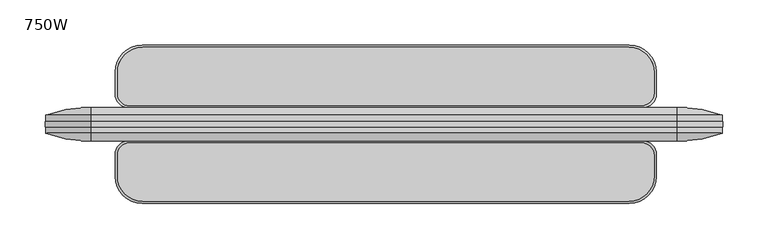
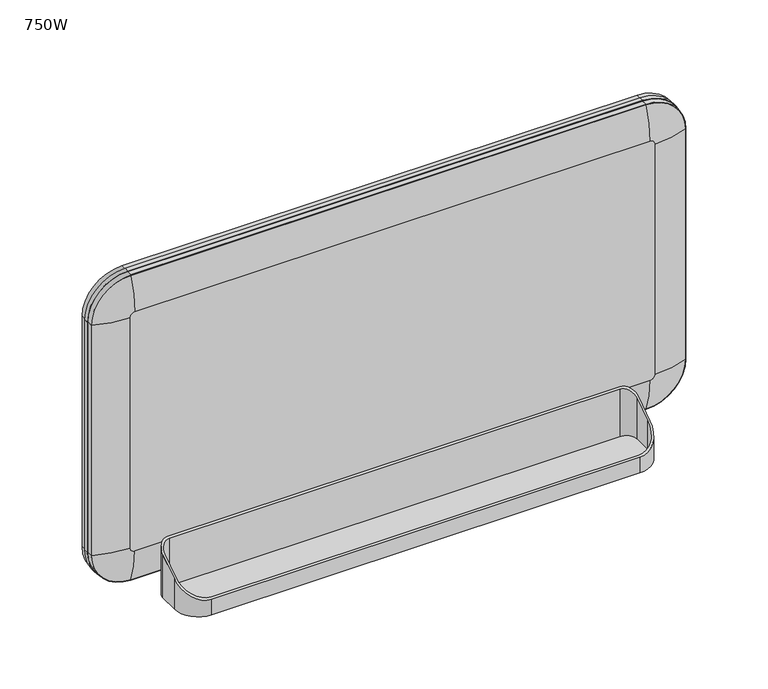
"""IFC4 building model written with IfcOpenShell, lengths in millimetres: furniture geometry, 750W."""

from ifc_helpers import new_model, si_unit, point, frame, origin, place, context, project, spatial, polyline, circle_curve, ellipse_curve, trimmed, source, transform, mapped, element, save
from ifc_brep_helpers import plane_surface, cylinder_surface, revolved_surface, advanced_brep


def furniture_750w_f2028ecf(model_context):
    return source(origin(), model_context, "Body", "AdvancedBrep", [
        advanced_brep(
        [(286.9659113, 18.5, 16.3000507), (-283.2159113, 18.5, 16.3000507), (-298.2159113, 33.5, 16.3000507), (-298.2159113, 58.0239724, 16.3000507), (-268.2159113, 88.0239724, 16.3000507), (271.9659113, 88.0239724, 16.3000507), (301.9659113, 58.0239724, 16.3000507), (301.9659113, 33.5, 16.3000507), (286.9659113, 18.5, 83.9159978), (-283.2159113, 18.5, 83.9159978), (-298.2159113, 33.5, 73.79837), (-298.2159113, 58.0239724, 57.2567418), (-268.2159113, 88.0239724, 37.0214863), (271.9659113, 88.0239724, 37.0214863), (301.9659113, 58.0239724, 57.2567418), (301.9659113, 33.5, 73.79837), (285.3329108, 20.5879811, 82.5076368), (-282.1526772, 20.5879811, 82.5076368), (-295.4997493, 33.9350532, 73.504923), (-295.4997493, 57.5241536, 57.5938738), (-267.4997493, 85.5241536, 38.7076354), (271.50047, 85.5241536, 38.7076354), (299.50047, 57.5241536, 57.5938738), (299.50047, 34.7555403, 72.9514974), (285.3329108, 20.5879811, 19.0001411), (299.50047, 34.7555403, 19.0001411), (299.50047, 57.5241536, 19.0001411), (271.50047, 85.5241536, 19.0001411), (-267.4997493, 85.5241536, 19.0001411), (-295.4997493, 57.5241536, 19.0001411), (-295.4997493, 33.9350532, 19.0001411), (-282.1526772, 20.5879811, 19.0001411)],
        [
            (0, 1),
            (1, 2, circle_curve(frame((-283.2159113, 33.5, 16.3000507), z_axis=(0.0, 0.0, -1.0), x_axis=(1.0, 0.0, 0.0)), 15.0)),
            (2, 3),
            (3, 4, circle_curve(frame((-268.2159113, 58.0239724, 16.3000507), z_axis=(0.0, 0.0, -1.0), x_axis=(1.0, 0.0, 0.0)), 30.0)),
            (4, 5),
            (5, 6, circle_curve(frame((271.9659113, 58.0239724, 16.3000507), z_axis=(0.0, 0.0, -1.0), x_axis=(1.0, 0.0, 0.0)), 30.0)),
            (6, 7),
            (7, 0, circle_curve(frame((286.9659113, 33.5, 16.3000507), z_axis=(0.0, 0.0, -1.0), x_axis=(1.0, 0.0, 0.0)), 15.0)),
            (0, 8),
            (8, 9),
            (9, 1),
            (2, 10),
            (10, 11),
            (11, 3),
            (4, 12),
            (12, 13),
            (13, 5),
            (6, 14),
            (14, 15),
            (15, 7),
            (9, 10, ellipse_curve(frame((-283.2159113, 33.5, 73.79837), z_axis=(0.0, -0.5591929034707491, -0.8290375725550402), x_axis=(0.0, -0.8290375725550402, 0.5591929034707489)), 18.0932692, 15.0)),
            (11, 12, ellipse_curve(frame((-268.2159113, 58.0239724, 57.2567418), z_axis=(0.0, -0.5591929034707491, -0.8290375725550402), x_axis=(0.0, -0.8290375725550402, 0.5591929034707489)), 36.1865385, 30.0)),
            (13, 14, ellipse_curve(frame((271.9659113, 58.0239724, 57.2567418), z_axis=(0.0, -0.5591929034707491, -0.8290375725550402), x_axis=(0.0, -0.8290375725550402, 0.5591929034707489)), 36.1865385, 30.0)),
            (15, 8, ellipse_curve(frame((286.9659113, 33.5, 73.79837), z_axis=(0.0, -0.5591929034707491, -0.8290375725550402), x_axis=(0.0, -0.8290375725550402, 0.5591929034707489)), 18.0932692, 15.0)),
            (16, 17),
            (17, 18, ellipse_curve(frame((-282.1526772, 33.9350532, 73.504923), z_axis=(0.0, -0.5591929034707491, -0.8290375725550402), x_axis=(0.0, -0.8290375725550402, 0.5591929034707489)), 16.0994779, 13.3470721)),
            (18, 19),
            (19, 20, ellipse_curve(frame((-267.4997493, 57.5241536, 57.5938738), z_axis=(0.0, -0.5591929034707491, -0.8290375725550402), x_axis=(0.0, -0.8290375725550402, 0.5591929034707489)), 33.7741026, 28.0)),
            (20, 21),
            (21, 22, ellipse_curve(frame((271.50047, 57.5241536, 57.5938738), z_axis=(0.0, -0.5591929034707491, -0.8290375725550402), x_axis=(0.0, -0.8290375725550402, 0.5591929034707489)), 33.7741026, 28.0)),
            (22, 23),
            (23, 16, ellipse_curve(frame((285.3329108, 34.7555403, 72.9514974), z_axis=(0.0, -0.5591929034707491, -0.8290375725550402), x_axis=(0.0, -0.8290375725550402, 0.5591929034707489)), 17.0891642, 14.1675592)),
            (24, 25, circle_curve(frame((285.3329108, 34.7555403, 19.0001411), z_axis=(0.0, 0.0, 1.0), x_axis=(1.0, 0.0, 0.0)), 14.1675592)),
            (25, 26),
            (26, 27, circle_curve(frame((271.50047, 57.5241536, 19.0001411), z_axis=(0.0, 0.0, 1.0), x_axis=(1.0, 0.0, 0.0)), 28.0)),
            (27, 28),
            (28, 29, circle_curve(frame((-267.4997493, 57.5241536, 19.0001411), z_axis=(0.0, 0.0, 1.0), x_axis=(1.0, 0.0, 0.0)), 28.0)),
            (29, 30),
            (30, 31, circle_curve(frame((-282.1526772, 33.9350532, 19.0001411), z_axis=(0.0, 0.0, 1.0), x_axis=(1.0, 0.0, 0.0)), 13.3470721)),
            (31, 24),
            (31, 17),
            (16, 24),
            (30, 18),
            (29, 19),
            (28, 20),
            (27, 21),
            (26, 22),
            (25, 23),
        ],
        [
            plane_surface(frame((301.9659113, 33.5, 16.3000507), z_axis=(0.0, 0.0, -1.0), x_axis=(0.0, -1.0, 0.0))),
            plane_surface(frame((-283.2159113, 18.5, 100.6154338), z_axis=(0.0, -1.0, 0.0), x_axis=(0.0, 0.0, -1.0))),
            plane_surface(frame((-298.2159113, 58.0239724, 100.6154338), z_axis=(-1.0, 0.0, 0.0), x_axis=(0.0, 0.0, -1.0))),
            plane_surface(frame((271.9659113, 88.0239724, 100.6154338), z_axis=(0.0, 1.0, 0.0), x_axis=(0.0, 0.0, -1.0))),
            plane_surface(frame((301.9659113, 33.5, 100.6154338), z_axis=(1.0, 0.0, 0.0), x_axis=(0.0, 0.0, -1.0))),
            cylinder_surface(frame((-283.2159113, 33.5, 16.3000507), z_axis=(0.0, 0.0, 1.0), x_axis=(1.0, 0.0, 0.0)), 15.0),
            cylinder_surface(frame((-268.2159113, 58.0239724, 16.3000507), z_axis=(0.0, 0.0, 1.0), x_axis=(1.0, 0.0, 0.0)), 30.0),
            cylinder_surface(frame((271.9659113, 58.0239724, 16.3000507), z_axis=(0.0, 0.0, 1.0), x_axis=(1.0, 0.0, 0.0)), 30.0),
            cylinder_surface(frame((286.9659113, 33.5, 16.3000507), z_axis=(0.0, 0.0, 1.0), x_axis=(1.0, 0.0, 0.0)), 15.0),
            plane_surface(frame((-659.4573516, 93.5, 33.327859), z_axis=(0.0, 0.5591929034707491, 0.8290375725550402), x_axis=(1.0, 0.0, 0.0))),
            plane_surface(frame((299.50047, 34.7555403, 19.0001411), z_axis=(0.0, 0.0, 1.0), x_axis=(0.0, -1.0, 0.0))),
            plane_surface(frame((-282.1526772, 20.5879811, 250.0), z_axis=(0.0, 1.0, 0.0), x_axis=(0.0, 0.0, -1.0))),
            revolved_surface(polyline([(-268.80560510000004, 33.9350532, 82.5076368), (-268.80560510000004, 33.9350532, 19.0001411)]), (-282.1526772, 33.9350532, 19.0001411), (0.0, 0.0, 1.0)),
            plane_surface(frame((-295.4997493, 57.5241536, 250.0), z_axis=(1.0, 0.0, 0.0), x_axis=(0.0, 0.0, -1.0))),
            revolved_surface(polyline([(-239.49974930000002, 57.5241536, 76.48011229501296), (-239.49974930000002, 57.5241536, 19.0001411)]), (-267.4997493, 57.5241536, 19.0001411), (0.0, 0.0, 1.0)),
            plane_surface(frame((271.50047, 85.5241536, 250.0), z_axis=(0.0, -1.0, 0.0), x_axis=(0.0, 0.0, -1.0))),
            revolved_surface(polyline([(299.50047, 57.5241536, 76.48011229501296), (299.50047, 57.5241536, 19.0001411)]), (271.50047, 57.5241536, 19.0001411), (0.0, 0.0, 1.0)),
            plane_surface(frame((299.50047, 34.7555403, 250.0), z_axis=(-1.0, 0.0, 0.0), x_axis=(0.0, 0.0, -1.0))),
            revolved_surface(polyline([(299.50046999999995, 34.7555403, 82.5076368), (299.50046999999995, 34.7555403, 19.0001411)]), (285.3329108, 34.7555403, 19.0001411), (0.0, 0.0, 1.0)),
        ],
        [
            (0, [[1, 2, 3, 4, 5, 6, 7, 8]]),
            (1, [[-1, 9, 10, 11]]),
            (2, [[-3, 12, 13, 14]]),
            (3, [[-5, 15, 16, 17]]),
            (4, [[-7, 18, 19, 20]]),
            (5, [[-2, -11, 21, -12]]),
            (6, [[-4, -14, 22, -15]]),
            (7, [[-6, -17, 23, -18]]),
            (8, [[-8, -20, 24, -9]]),
            (9, [[-10, -24, -19, -23, -16, -22, -13, -21], [25, 26, 27, 28, 29, 30, 31, 32]]),
            (10, [[33, 34, 35, 36, 37, 38, 39, 40]]),
            (11, [[-40, 41, -25, 42]]),
            (12, [[-39, 43, -26, -41]]),
            (13, [[-38, 44, -27, -43]]),
            (14, [[-37, 45, -28, -44]]),
            (15, [[-36, 46, -29, -45]]),
            (16, [[-35, 47, -30, -46]]),
            (17, [[-34, 48, -31, -47]]),
            (18, [[-33, -42, -32, -48]]),
        ],
    ),
        advanced_brep(
        [(286.9659113, -18.5, 16.3000507), (301.9659113, -33.5, 16.3000507), (301.9659113, -58.0239724, 16.3000507), (271.9659113, -88.0239724, 16.3000507), (-268.2159113, -88.0239724, 16.3000507), (-298.2159113, -58.0239724, 16.3000507), (-298.2159113, -33.5, 16.3000507), (-283.2159113, -18.5, 16.3000507), (-283.2159113, -18.5, 83.9159978), (286.9659113, -18.5, 83.9159978), (-298.2159113, -58.0239724, 57.2567418), (-298.2159113, -33.5, 73.79837), (271.9659113, -88.0239724, 37.0214863), (-268.2159113, -88.0239724, 37.0214863), (301.9659113, -33.5, 73.79837), (301.9659113, -58.0239724, 57.2567418), (-282.1526772, -20.5879811, 82.5076368), (285.3329108, -20.5879811, 82.5076368), (299.50047, -34.7555403, 72.9514974), (299.50047, -57.5241536, 57.5938738), (271.50047, -85.5241536, 38.7076354), (-267.4997493, -85.5241536, 38.7076354), (-295.4997493, -57.5241536, 57.5938738), (-295.4997493, -33.9350532, 73.504923), (285.3329108, -20.5879811, 19.0001411), (-282.1526772, -20.5879811, 19.0001411), (-295.4997493, -33.9350532, 19.0001411), (-295.4997493, -57.5241536, 19.0001411), (-267.4997493, -85.5241536, 19.0001411), (271.50047, -85.5241536, 19.0001411), (299.50047, -57.5241536, 19.0001411), (299.50047, -34.7555403, 19.0001411)],
        [
            (0, 1, circle_curve(frame((286.9659113, -33.5, 16.3000507), z_axis=(0.0, 0.0, -1.0), x_axis=(1.0, 0.0, 0.0)), 15.0)),
            (1, 2),
            (2, 3, circle_curve(frame((271.9659113, -58.0239724, 16.3000507), z_axis=(0.0, 0.0, -1.0), x_axis=(1.0, 0.0, 0.0)), 30.0)),
            (3, 4),
            (4, 5, circle_curve(frame((-268.2159113, -58.0239724, 16.3000507), z_axis=(0.0, 0.0, -1.0), x_axis=(1.0, 0.0, 0.0)), 30.0)),
            (5, 6),
            (6, 7, circle_curve(frame((-283.2159113, -33.5, 16.3000507), z_axis=(0.0, 0.0, -1.0), x_axis=(1.0, 0.0, 0.0)), 15.0)),
            (7, 0),
            (7, 8),
            (8, 9),
            (9, 0),
            (5, 10),
            (10, 11),
            (11, 6),
            (3, 12),
            (12, 13),
            (13, 4),
            (1, 14),
            (14, 15),
            (15, 2),
            (8, 11, ellipse_curve(frame((-283.2159113, -33.5, 73.79837), z_axis=(0.0, -0.5591929034707491, 0.8290375725550403), x_axis=(0.0, 0.8290375725550403, 0.5591929034707488)), 18.0932692, 15.0)),
            (10, 13, ellipse_curve(frame((-268.2159113, -58.0239724, 57.2567418), z_axis=(0.0, -0.5591929034707491, 0.8290375725550403), x_axis=(0.0, 0.8290375725550403, 0.5591929034707488)), 36.1865385, 30.0)),
            (12, 15, ellipse_curve(frame((271.9659113, -58.0239724, 57.2567418), z_axis=(0.0, -0.5591929034707491, 0.8290375725550403), x_axis=(0.0, 0.8290375725550403, 0.5591929034707488)), 36.1865385, 30.0)),
            (14, 9, ellipse_curve(frame((286.9659113, -33.5, 73.79837), z_axis=(0.0, -0.5591929034707491, 0.8290375725550403), x_axis=(0.0, 0.8290375725550403, 0.5591929034707488)), 18.0932692, 15.0)),
            (16, 17),
            (17, 18, ellipse_curve(frame((285.3329108, -34.7555403, 72.9514974), z_axis=(0.0, 0.5591929034707491, -0.8290375725550403), x_axis=(0.0, 0.8290375725550403, 0.5591929034707488)), 17.0891642, 14.1675592)),
            (18, 19),
            (19, 20, ellipse_curve(frame((271.50047, -57.5241536, 57.5938738), z_axis=(0.0, 0.5591929034707491, -0.8290375725550403), x_axis=(0.0, 0.8290375725550403, 0.5591929034707488)), 33.7741026, 28.0)),
            (20, 21),
            (21, 22, ellipse_curve(frame((-267.4997493, -57.5241536, 57.5938738), z_axis=(0.0, 0.5591929034707491, -0.8290375725550403), x_axis=(0.0, 0.8290375725550403, 0.5591929034707488)), 33.7741026, 28.0)),
            (22, 23),
            (23, 16, ellipse_curve(frame((-282.1526772, -33.9350532, 73.504923), z_axis=(0.0, 0.5591929034707491, -0.8290375725550403), x_axis=(0.0, 0.8290375725550403, 0.5591929034707488)), 16.0994779, 13.3470721)),
            (24, 25),
            (25, 26, circle_curve(frame((-282.1526772, -33.9350532, 19.0001411), z_axis=(0.0, 0.0, 1.0), x_axis=(1.0, 0.0, 0.0)), 13.3470721)),
            (26, 27),
            (27, 28, circle_curve(frame((-267.4997493, -57.5241536, 19.0001411), z_axis=(0.0, 0.0, 1.0), x_axis=(1.0, 0.0, 0.0)), 28.0)),
            (28, 29),
            (29, 30, circle_curve(frame((271.50047, -57.5241536, 19.0001411), z_axis=(0.0, 0.0, 1.0), x_axis=(1.0, 0.0, 0.0)), 28.0)),
            (30, 31),
            (31, 24, circle_curve(frame((285.3329108, -34.7555403, 19.0001411), z_axis=(0.0, 0.0, 1.0), x_axis=(1.0, 0.0, 0.0)), 14.1675592)),
            (24, 17),
            (16, 25),
            (23, 26),
            (22, 27),
            (21, 28),
            (20, 29),
            (19, 30),
            (18, 31),
        ],
        [
            plane_surface(frame((-283.2159113, -18.5, 16.3000507), z_axis=(0.0, 0.0, -1.0), x_axis=(1.0, 0.0, 0.0))),
            plane_surface(frame((286.9659113, -18.5, 100.6154338), z_axis=(0.0, 1.0, 0.0), x_axis=(0.0, 0.0, -1.0))),
            plane_surface(frame((-298.2159113, -33.5, 100.6154338), z_axis=(-1.0, 0.0, 0.0), x_axis=(0.0, 0.0, -1.0))),
            plane_surface(frame((-268.2159113, -88.0239724, 100.6154338), z_axis=(0.0, -1.0, 0.0), x_axis=(0.0, 0.0, -1.0))),
            plane_surface(frame((301.9659113, -58.0239724, 100.6154338), z_axis=(1.0, 0.0, 0.0), x_axis=(0.0, 0.0, -1.0))),
            plane_surface(frame((-423.9315609, -18.5, 83.9159978), z_axis=(0.0, -0.5591929034707491, 0.8290375725550403), x_axis=(1.0, 0.0, 0.0))),
            cylinder_surface(frame((-283.2159113, -33.5, 16.3000507), z_axis=(0.0, 0.0, 1.0), x_axis=(1.0, 0.0, 0.0)), 15.0),
            cylinder_surface(frame((-268.2159113, -58.0239724, 16.3000507), z_axis=(0.0, 0.0, 1.0), x_axis=(1.0, 0.0, 0.0)), 30.0),
            cylinder_surface(frame((271.9659113, -58.0239724, 16.3000507), z_axis=(0.0, 0.0, 1.0), x_axis=(1.0, 0.0, 0.0)), 30.0),
            cylinder_surface(frame((286.9659113, -33.5, 16.3000507), z_axis=(0.0, 0.0, 1.0), x_axis=(1.0, 0.0, 0.0)), 15.0),
            plane_surface(frame((-282.1526772, -20.5879811, 19.0001411), z_axis=(0.0, 0.0, 1.0), x_axis=(1.0, 0.0, 0.0))),
            plane_surface(frame((285.3329108, -20.5879811, 250.0), z_axis=(0.0, -1.0, 0.0), x_axis=(0.0, 0.0, -1.0))),
            revolved_surface(polyline([(-268.80560510000004, -33.9350532, 82.5076368), (-268.80560510000004, -33.9350532, 19.0001411)]), (-282.1526772, -33.9350532, 19.0001411), (0.0, 0.0, 1.0)),
            plane_surface(frame((-295.4997493, -33.9350532, 250.0), z_axis=(1.0, 0.0, 0.0), x_axis=(0.0, 0.0, -1.0))),
            revolved_surface(polyline([(-239.49974930000002, -57.5241536, 76.48011229501296), (-239.49974930000002, -57.5241536, 19.0001411)]), (-267.4997493, -57.5241536, 19.0001411), (0.0, 0.0, 1.0)),
            plane_surface(frame((-267.4997493, -85.5241536, 250.0), z_axis=(0.0, 1.0, 0.0), x_axis=(0.0, 0.0, -1.0))),
            revolved_surface(polyline([(299.50047, -57.5241536, 76.48011229501296), (299.50047, -57.5241536, 19.0001411)]), (271.50047, -57.5241536, 19.0001411), (0.0, 0.0, 1.0)),
            plane_surface(frame((299.50047, -57.5241536, 250.0), z_axis=(-1.0, 0.0, 0.0), x_axis=(0.0, 0.0, -1.0))),
            revolved_surface(polyline([(299.50046999999995, -34.7555403, 82.5076368), (299.50046999999995, -34.7555403, 19.0001411)]), (285.3329108, -34.7555403, 19.0001411), (0.0, 0.0, 1.0)),
        ],
        [
            (0, [[1, 2, 3, 4, 5, 6, 7, 8]]),
            (1, [[-8, 9, 10, 11]]),
            (2, [[-6, 12, 13, 14]]),
            (3, [[-4, 15, 16, 17]]),
            (4, [[-2, 18, 19, 20]]),
            (5, [[-10, 21, -13, 22, -16, 23, -19, 24], [25, 26, 27, 28, 29, 30, 31, 32]]),
            (6, [[-7, -14, -21, -9]]),
            (7, [[-5, -17, -22, -12]]),
            (8, [[-3, -20, -23, -15]]),
            (9, [[-1, -11, -24, -18]]),
            (10, [[33, 34, 35, 36, 37, 38, 39, 40]]),
            (11, [[-33, 41, -25, 42]]),
            (12, [[-34, -42, -32, 43]]),
            (13, [[-35, -43, -31, 44]]),
            (14, [[-36, -44, -30, 45]]),
            (15, [[-37, -45, -29, 46]]),
            (16, [[-38, -46, -28, 47]]),
            (17, [[-39, -47, -27, 48]]),
            (18, [[-40, -48, -26, -41]]),
        ],
    ),
        advanced_brep(
        [(330.8, -18.5, 392.0), (325.0, -18.5, 397.8), (-325.0, -18.5, 397.8), (-330.8, -18.5, 392.0), (-330.8, -18.5, 85.0), (-325.0, -18.5, 79.2), (325.0, -18.5, 79.2), (330.8, -18.5, 85.0), (325.0, 18.5, 397.8), (330.8, 18.5, 392.0), (330.8, 18.5, 85.0), (325.0, 18.5, 79.2), (-325.0, 18.5, 79.2), (-330.8, 18.5, 85.0), (-330.8, 18.5, 392.0), (-325.0, 18.5, 397.8), (374.2, -10.0, 392.0), (325.0, -10.0, 441.2), (375.0, -2.9, 392.0), (325.0, -2.9, 442.0), (325.0, -10.0, 442.0), (375.0, -10.0, 392.0), (375.8, 2.9, 392.0), (325.0, 2.9, 442.8), (325.0, -2.9, 442.8), (375.8, -2.9, 392.0), (375.0, 10.0, 392.0), (325.0, 10.0, 442.0), (325.0, 2.9, 442.0), (375.0, 2.9, 392.0), (325.0, 10.0, 441.2), (374.2, 10.0, 392.0), (374.2, -10.0, 85.0), (375.0, -10.0, 85.0), (375.0, -2.9, 85.0), (375.8, -2.9, 85.0), (375.8, 2.9, 85.0), (375.0, 2.9, 85.0), (375.0, 10.0, 85.0), (374.2, 10.0, 85.0), (325.0, -10.0, 35.8), (325.0, -10.0, 35.0), (325.0, -2.9, 35.0), (325.0, -2.9, 34.2), (325.0, 2.9, 34.2), (325.0, 2.9, 35.0), (325.0, 10.0, 35.0), (325.0, 10.0, 35.8), (-325.0, -10.0, 35.8), (-325.0, -10.0, 35.0), (-325.0, -2.9, 35.0), (-325.0, -2.9, 34.2), (-325.0, 2.9, 34.2), (-325.0, 2.9, 35.0), (-325.0, 10.0, 35.0), (-325.0, 10.0, 35.8), (-374.2, -10.0, 85.0), (-375.0, -10.0, 85.0), (-375.0, -2.9, 85.0), (-375.8, -2.9, 85.0), (-375.8, 2.9, 85.0), (-375.0, 2.9, 85.0), (-375.0, 10.0, 85.0), (-374.2, 10.0, 85.0), (-374.2, -10.0, 392.0), (-375.0, -10.0, 392.0), (-375.0, -2.9, 392.0), (-375.8, -2.9, 392.0), (-375.8, 2.9, 392.0), (-375.0, 2.9, 392.0), (-375.0, 10.0, 392.0), (-374.2, 10.0, 392.0), (-325.0, -10.0, 441.2), (-325.0, -10.0, 442.0), (-325.0, -2.9, 442.0), (-325.0, -2.9, 442.8), (-325.0, 2.9, 442.8), (-325.0, 2.9, 442.0), (-325.0, 10.0, 442.0), (-325.0, 10.0, 441.2)],
        [
            (0, 1, circle_curve(frame((325.0, -18.5, 392.0), z_axis=(0.0, -1.0, 0.0), x_axis=(0.0, 0.0, 1.0)), 5.8)),
            (1, 2),
            (2, 3, circle_curve(frame((-325.0, -18.5, 392.0), z_axis=(0.0, -1.0, 0.0), x_axis=(-1.0, 0.0, 0.0)), 5.8)),
            (3, 4),
            (4, 5, circle_curve(frame((-325.0, -18.5, 85.0), z_axis=(0.0, -1.0, 0.0), x_axis=(0.0, 0.0, -1.0)), 5.8)),
            (5, 6),
            (6, 7, circle_curve(frame((325.0, -18.5, 85.0), z_axis=(0.0, -1.0, 0.0), x_axis=(1.0, 0.0, 0.0)), 5.8)),
            (7, 0),
            (8, 9, circle_curve(frame((325.0, 18.5, 392.0), z_axis=(0.0, 1.0, 0.0), x_axis=(0.0, 0.0, 1.0)), 5.8)),
            (9, 10),
            (10, 11, circle_curve(frame((325.0, 18.5, 85.0), z_axis=(0.0, 1.0, 0.0), x_axis=(1.0, 0.0, 0.0)), 5.8)),
            (11, 12),
            (12, 13, circle_curve(frame((-325.0, 18.5, 85.0), z_axis=(0.0, 1.0, 0.0), x_axis=(0.0, 0.0, -1.0)), 5.8)),
            (13, 14),
            (14, 15, circle_curve(frame((-325.0, 18.5, 392.0), z_axis=(0.0, 1.0, 0.0), x_axis=(-1.0, 0.0, 0.0)), 5.8)),
            (15, 8),
            (16, 17, circle_curve(frame((325.0, -10.0, 392.0), z_axis=(0.0, -1.0, 0.0), x_axis=(0.0, 0.0, 1.0)), 49.2)),
            (17, 1, circle_curve(frame((325.0, 96.5476471, 397.8), z_axis=(1.0, 0.0, 0.0), x_axis=(0.0, 0.0, 1.0)), 115.0476471)),
            (0, 16, circle_curve(frame((330.8, 96.5476471, 392.0), z_axis=(0.0, 0.0, 1.0), x_axis=(1.0, 0.0, 0.0)), 115.0476471)),
            (18, 19, circle_curve(frame((325.0, -2.9, 392.0), z_axis=(0.0, -1.0, 0.0), x_axis=(0.0, 0.0, 1.0)), 50.0)),
            (19, 20),
            (20, 21, circle_curve(frame((325.0, -10.0, 392.0), z_axis=(0.0, 1.0, 0.0), x_axis=(0.0, 0.0, 1.0)), 50.0)),
            (21, 18),
            (22, 23, circle_curve(frame((325.0, 2.9, 392.0), z_axis=(0.0, -1.0, 0.0), x_axis=(0.0, 0.0, 1.0)), 50.8)),
            (23, 24),
            (24, 25, circle_curve(frame((325.0, -2.9, 392.0), z_axis=(0.0, 1.0, 0.0), x_axis=(0.0, 0.0, 1.0)), 50.8)),
            (25, 22),
            (26, 27, circle_curve(frame((325.0, 10.0, 392.0), z_axis=(0.0, -1.0, 0.0), x_axis=(0.0, 0.0, 1.0)), 50.0)),
            (27, 28),
            (28, 29, circle_curve(frame((325.0, 2.9, 392.0), z_axis=(0.0, 1.0, 0.0), x_axis=(0.0, 0.0, 1.0)), 50.0)),
            (29, 26),
            (8, 30, circle_curve(frame((325.0, -96.5476471, 397.8), z_axis=(1.0, 0.0, 0.0), x_axis=(0.0, 0.0, 1.0)), 115.0476471)),
            (30, 31, circle_curve(frame((325.0, 10.0, 392.0), z_axis=(0.0, 1.0, 0.0), x_axis=(0.0, 0.0, 1.0)), 49.2)),
            (31, 9, circle_curve(frame((330.8, -96.5476471, 392.0), z_axis=(0.0, 0.0, 1.0), x_axis=(1.0, 0.0, 0.0)), 115.0476471)),
            (7, 32, circle_curve(frame((330.8, 96.5476471, 85.0), z_axis=(0.0, 0.0, 1.0), x_axis=(1.0, 0.0, 0.0)), 115.0476471)),
            (32, 16),
            (21, 33),
            (33, 34),
            (34, 18),
            (25, 35),
            (35, 36),
            (36, 22),
            (29, 37),
            (37, 38),
            (38, 26),
            (31, 39),
            (39, 10, circle_curve(frame((330.8, -96.5476471, 85.0), z_axis=(0.0, 0.0, 1.0), x_axis=(1.0, 0.0, 0.0)), 115.0476471)),
            (6, 40, circle_curve(frame((325.0, 96.5476471, 79.2), z_axis=(1.0, 0.0, 0.0), x_axis=(0.0, 0.0, -1.0)), 115.0476471)),
            (40, 32, circle_curve(frame((325.0, -10.0, 85.0), z_axis=(0.0, -1.0, 0.0), x_axis=(1.0, 0.0, 0.0)), 49.2)),
            (33, 41, circle_curve(frame((325.0, -10.0, 85.0), z_axis=(0.0, 1.0, 0.0), x_axis=(1.0, 0.0, 0.0)), 50.0)),
            (41, 42),
            (42, 34, circle_curve(frame((325.0, -2.9, 85.0), z_axis=(0.0, -1.0, 0.0), x_axis=(1.0, 0.0, 0.0)), 50.0)),
            (35, 43, circle_curve(frame((325.0, -2.9, 85.0), z_axis=(0.0, 1.0, 0.0), x_axis=(1.0, 0.0, 0.0)), 50.8)),
            (43, 44),
            (44, 36, circle_curve(frame((325.0, 2.9, 85.0), z_axis=(0.0, -1.0, 0.0), x_axis=(1.0, 0.0, 0.0)), 50.8)),
            (37, 45, circle_curve(frame((325.0, 2.9, 85.0), z_axis=(0.0, 1.0, 0.0), x_axis=(1.0, 0.0, 0.0)), 50.0)),
            (45, 46),
            (46, 38, circle_curve(frame((325.0, 10.0, 85.0), z_axis=(0.0, -1.0, 0.0), x_axis=(1.0, 0.0, 0.0)), 50.0)),
            (39, 47, circle_curve(frame((325.0, 10.0, 85.0), z_axis=(0.0, 1.0, 0.0), x_axis=(1.0, 0.0, 0.0)), 49.2)),
            (47, 11, circle_curve(frame((325.0, -96.5476471, 79.2), z_axis=(1.0, 0.0, 0.0), x_axis=(0.0, 0.0, -1.0)), 115.0476471)),
            (5, 48, circle_curve(frame((-325.0, 96.5476471, 79.2), z_axis=(1.0, 0.0, 0.0), x_axis=(0.0, 0.0, -1.0)), 115.0476471)),
            (48, 40),
            (41, 49),
            (49, 50),
            (50, 42),
            (43, 51),
            (51, 52),
            (52, 44),
            (45, 53),
            (53, 54),
            (54, 46),
            (47, 55),
            (55, 12, circle_curve(frame((-325.0, -96.5476471, 79.2), z_axis=(1.0, 0.0, 0.0), x_axis=(0.0, 0.0, -1.0)), 115.0476471)),
            (4, 56, circle_curve(frame((-330.8, 96.5476471, 85.0), z_axis=(0.0, 0.0, -1.0), x_axis=(-1.0, 0.0, 0.0)), 115.0476471)),
            (56, 48, circle_curve(frame((-325.0, -10.0, 85.0), z_axis=(0.0, -1.0, 0.0), x_axis=(0.0, 0.0, -1.0)), 49.2)),
            (49, 57, circle_curve(frame((-325.0, -10.0, 85.0), z_axis=(0.0, 1.0, 0.0), x_axis=(0.0, 0.0, -1.0)), 50.0)),
            (57, 58),
            (58, 50, circle_curve(frame((-325.0, -2.9, 85.0), z_axis=(0.0, -1.0, 0.0), x_axis=(0.0, 0.0, -1.0)), 50.0)),
            (51, 59, circle_curve(frame((-325.0, -2.9, 85.0), z_axis=(0.0, 1.0, 0.0), x_axis=(0.0, 0.0, -1.0)), 50.8)),
            (59, 60),
            (60, 52, circle_curve(frame((-325.0, 2.9, 85.0), z_axis=(0.0, -1.0, 0.0), x_axis=(0.0, 0.0, -1.0)), 50.8)),
            (53, 61, circle_curve(frame((-325.0, 2.9, 85.0), z_axis=(0.0, 1.0, 0.0), x_axis=(0.0, 0.0, -1.0)), 50.0)),
            (61, 62),
            (62, 54, circle_curve(frame((-325.0, 10.0, 85.0), z_axis=(0.0, -1.0, 0.0), x_axis=(0.0, 0.0, -1.0)), 50.0)),
            (55, 63, circle_curve(frame((-325.0, 10.0, 85.0), z_axis=(0.0, 1.0, 0.0), x_axis=(0.0, 0.0, -1.0)), 49.2)),
            (63, 13, circle_curve(frame((-330.8, -96.5476471, 85.0), z_axis=(0.0, 0.0, -1.0), x_axis=(-1.0, 0.0, 0.0)), 115.0476471)),
            (3, 64, circle_curve(frame((-330.8, 96.5476471, 392.0), z_axis=(0.0, 0.0, -1.0), x_axis=(-1.0, 0.0, 0.0)), 115.0476471)),
            (64, 56),
            (57, 65),
            (65, 66),
            (66, 58),
            (59, 67),
            (67, 68),
            (68, 60),
            (61, 69),
            (69, 70),
            (70, 62),
            (63, 71),
            (71, 14, circle_curve(frame((-330.8, -96.5476471, 392.0), z_axis=(0.0, 0.0, -1.0), x_axis=(-1.0, 0.0, 0.0)), 115.0476471)),
            (2, 72, circle_curve(frame((-325.0, 96.5476471, 397.8), z_axis=(-1.0, 0.0, 0.0), x_axis=(0.0, 0.0, 1.0)), 115.0476471)),
            (72, 64, circle_curve(frame((-325.0, -10.0, 392.0), z_axis=(0.0, -1.0, 0.0), x_axis=(-1.0, 0.0, 0.0)), 49.2)),
            (65, 73, circle_curve(frame((-325.0, -10.0, 392.0), z_axis=(0.0, 1.0, 0.0), x_axis=(-1.0, 0.0, 0.0)), 50.0)),
            (73, 74),
            (74, 66, circle_curve(frame((-325.0, -2.9, 392.0), z_axis=(0.0, -1.0, 0.0), x_axis=(-1.0, 0.0, 0.0)), 50.0)),
            (67, 75, circle_curve(frame((-325.0, -2.9, 392.0), z_axis=(0.0, 1.0, 0.0), x_axis=(-1.0, 0.0, 0.0)), 50.8)),
            (75, 76),
            (76, 68, circle_curve(frame((-325.0, 2.9, 392.0), z_axis=(0.0, -1.0, 0.0), x_axis=(-1.0, 0.0, 0.0)), 50.8)),
            (69, 77, circle_curve(frame((-325.0, 2.9, 392.0), z_axis=(0.0, 1.0, 0.0), x_axis=(-1.0, 0.0, 0.0)), 50.0)),
            (77, 78),
            (78, 70, circle_curve(frame((-325.0, 10.0, 392.0), z_axis=(0.0, -1.0, 0.0), x_axis=(-1.0, 0.0, 0.0)), 50.0)),
            (71, 79, circle_curve(frame((-325.0, 10.0, 392.0), z_axis=(0.0, 1.0, 0.0), x_axis=(-1.0, 0.0, 0.0)), 49.2)),
            (79, 15, circle_curve(frame((-325.0, -96.5476471, 397.8), z_axis=(-1.0, 0.0, 0.0), x_axis=(0.0, 0.0, 1.0)), 115.0476471)),
            (17, 72),
            (20, 73),
            (19, 74),
            (24, 75),
            (23, 76),
            (28, 77),
            (27, 78),
            (30, 79),
        ],
        [
            plane_surface(frame((-320.0, -18.5, 392.0), z_axis=(0.0, -1.0, 0.0), x_axis=(0.0, 0.0, 1.0))),
            plane_surface(frame((-320.0, 18.5, 392.0), z_axis=(0.0, 1.0, 0.0), x_axis=(0.0, 0.0, -1.0))),
            revolved_surface(trimmed(ellipse_curve(frame((325.0, 96.5476471, 397.8), z_axis=(-1.0, 0.0, 0.0), x_axis=(0.0, 0.0, 1.0)), 115.0476471, 115.0476471), [point((325.0, -18.5, 397.8))], [point((325.0, -10.0, 441.2))], True, "CARTESIAN"), (325.0, 0.0, 392.0), (0.0, 1.0, 0.0)),
            cylinder_surface(frame((325.0, 0.0, 392.0), z_axis=(0.0, 1.0, 0.0), x_axis=(0.0, 0.0, 1.0)), 50.0),
            cylinder_surface(frame((325.0, 0.0, 392.0), z_axis=(0.0, 1.0, 0.0), x_axis=(0.0, 0.0, 1.0)), 50.8),
            revolved_surface(trimmed(ellipse_curve(frame((325.0, -96.5476471, 397.8), z_axis=(-1.0, 0.0, 0.0), x_axis=(0.0, 0.0, 1.0)), 115.0476471, 115.0476471), [point((325.0, 10.0, 441.2))], [point((325.0, 18.5, 397.8))], True, "CARTESIAN"), (325.0, 0.0, 392.0), (0.0, 1.0, 0.0)),
            cylinder_surface(frame((330.8, 96.5476471, 392.0), z_axis=(0.0, 0.0, 1.0), x_axis=(1.0, 0.0, 0.0)), 115.0476471),
            plane_surface(frame((375.0, -10.0, 392.0), z_axis=(1.0, 0.0, 0.0), x_axis=(0.0, 0.0, -1.0))),
            plane_surface(frame((375.8, -2.9, 392.0), z_axis=(1.0, 0.0, 0.0), x_axis=(0.0, 0.0, -1.0))),
            plane_surface(frame((375.0, 2.9, 392.0), z_axis=(1.0, 0.0, 0.0), x_axis=(0.0, 0.0, -1.0))),
            cylinder_surface(frame((330.8, -96.5476471, 392.0), z_axis=(0.0, 0.0, 1.0), x_axis=(1.0, 0.0, 0.0)), 115.0476471),
            revolved_surface(trimmed(ellipse_curve(frame((330.8, 96.5476471, 85.0), z_axis=(0.0, 0.0, 1.0), x_axis=(1.0, 0.0, 0.0)), 115.0476471, 115.0476471), [point((330.8, -18.5, 85.0))], [point((374.2, -10.0, 85.0))], True, "CARTESIAN"), (325.0, 0.0, 85.0), (0.0, 1.0, 0.0)),
            cylinder_surface(frame((325.0, 0.0, 85.0), z_axis=(0.0, 1.0, 0.0), x_axis=(1.0, 0.0, 0.0)), 50.0),
            cylinder_surface(frame((325.0, 0.0, 85.0), z_axis=(0.0, 1.0, 0.0), x_axis=(1.0, 0.0, 0.0)), 50.8),
            revolved_surface(trimmed(ellipse_curve(frame((330.8, -96.5476471, 85.0), z_axis=(0.0, 0.0, 1.0), x_axis=(1.0, 0.0, 0.0)), 115.0476471, 115.0476471), [point((374.2, 10.0, 85.0))], [point((330.8, 18.5, 85.0))], True, "CARTESIAN"), (325.0, 0.0, 85.0), (0.0, 1.0, 0.0)),
            cylinder_surface(frame((325.0, 96.5476471, 79.2), z_axis=(1.0, 0.0, 0.0), x_axis=(0.0, 0.0, -1.0)), 115.0476471),
            plane_surface(frame((325.0, -10.0, 35.0), z_axis=(0.0, 0.0, -1.0), x_axis=(-1.0, 0.0, 0.0))),
            plane_surface(frame((325.0, -2.9, 34.2), z_axis=(0.0, 0.0, -1.0), x_axis=(-1.0, 0.0, 0.0))),
            plane_surface(frame((325.0, 2.9, 35.0), z_axis=(0.0, 0.0, -1.0), x_axis=(-1.0, 0.0, 0.0))),
            cylinder_surface(frame((325.0, -96.5476471, 79.2), z_axis=(1.0, 0.0, 0.0), x_axis=(0.0, 0.0, -1.0)), 115.0476471),
            revolved_surface(trimmed(ellipse_curve(frame((-325.0, 96.5476471, 79.2), z_axis=(1.0, 0.0, 0.0), x_axis=(0.0, 0.0, -1.0)), 115.0476471, 115.0476471), [point((-325.0, -18.5, 79.2))], [point((-325.0, -10.0, 35.8))], True, "CARTESIAN"), (-325.0, 0.0, 85.0), (0.0, 1.0, 0.0)),
            cylinder_surface(frame((-325.0, 0.0, 85.0), z_axis=(0.0, 1.0, 0.0), x_axis=(0.0, 0.0, -1.0)), 50.0),
            cylinder_surface(frame((-325.0, 0.0, 85.0), z_axis=(0.0, 1.0, 0.0), x_axis=(0.0, 0.0, -1.0)), 50.8),
            revolved_surface(trimmed(ellipse_curve(frame((-325.0, -96.5476471, 79.2), z_axis=(1.0, 0.0, 0.0), x_axis=(0.0, 0.0, -1.0)), 115.0476471, 115.0476471), [point((-325.0, 10.0, 35.8))], [point((-325.0, 18.5, 79.2))], True, "CARTESIAN"), (-325.0, 0.0, 85.0), (0.0, 1.0, 0.0)),
            cylinder_surface(frame((-330.8, 96.5476471, 85.0), z_axis=(0.0, 0.0, -1.0), x_axis=(-1.0, 0.0, 0.0)), 115.0476471),
            plane_surface(frame((-375.0, -10.0, 85.0), z_axis=(-1.0, 0.0, 0.0), x_axis=(0.0, 0.0, 1.0))),
            plane_surface(frame((-375.8, -2.9, 85.0), z_axis=(-1.0, 0.0, 0.0), x_axis=(0.0, 0.0, 1.0))),
            plane_surface(frame((-375.0, 2.9, 85.0), z_axis=(-1.0, 0.0, 0.0), x_axis=(0.0, 0.0, 1.0))),
            cylinder_surface(frame((-330.8, -96.5476471, 85.0), z_axis=(0.0, 0.0, -1.0), x_axis=(-1.0, 0.0, 0.0)), 115.0476471),
            revolved_surface(trimmed(ellipse_curve(frame((-330.8, 96.5476471, 392.0), z_axis=(0.0, 0.0, -1.0), x_axis=(-1.0, 0.0, 0.0)), 115.0476471, 115.0476471), [point((-330.8, -18.5, 392.0))], [point((-374.2, -10.0, 392.0))], True, "CARTESIAN"), (-325.0, 0.0, 392.0), (0.0, 1.0, 0.0)),
            cylinder_surface(frame((-325.0, 0.0, 392.0), z_axis=(0.0, 1.0, 0.0), x_axis=(-1.0, 0.0, 0.0)), 50.0),
            cylinder_surface(frame((-325.0, 0.0, 392.0), z_axis=(0.0, 1.0, 0.0), x_axis=(-1.0, 0.0, 0.0)), 50.8),
            revolved_surface(trimmed(ellipse_curve(frame((-330.8, -96.5476471, 392.0), z_axis=(0.0, 0.0, -1.0), x_axis=(-1.0, 0.0, 0.0)), 115.0476471, 115.0476471), [point((-374.2, 10.0, 392.0))], [point((-330.8, 18.5, 392.0))], True, "CARTESIAN"), (-325.0, 0.0, 392.0), (0.0, 1.0, 0.0)),
            cylinder_surface(frame((-325.0, 96.5476471, 397.8), z_axis=(-1.0, 0.0, 0.0), x_axis=(0.0, 0.0, 1.0)), 115.0476471),
            plane_surface(frame((-325.0, -10.0, 441.2), z_axis=(0.0, -1.0, 0.0), x_axis=(1.0, 0.0, 0.0))),
            plane_surface(frame((-325.0, -10.0, 442.0), z_axis=(0.0, 0.0, 1.0), x_axis=(1.0, 0.0, 0.0))),
            plane_surface(frame((-325.0, -2.9, 442.0), z_axis=(0.0, -1.0, 0.0), x_axis=(1.0, 0.0, 0.0))),
            plane_surface(frame((-325.0, -2.9, 442.8), z_axis=(0.0, 0.0, 1.0), x_axis=(1.0, 0.0, 0.0))),
            plane_surface(frame((-325.0, 2.9, 442.8), z_axis=(0.0, 1.0, 0.0), x_axis=(1.0, 0.0, 0.0))),
            plane_surface(frame((-325.0, 2.9, 442.0), z_axis=(0.0, 0.0, 1.0), x_axis=(1.0, 0.0, 0.0))),
            plane_surface(frame((-325.0, 10.0, 442.0), z_axis=(0.0, 1.0, 0.0), x_axis=(1.0, 0.0, 0.0))),
            cylinder_surface(frame((-325.0, -96.5476471, 397.8), z_axis=(-1.0, 0.0, 0.0), x_axis=(0.0, 0.0, 1.0)), 115.0476471),
        ],
        [
            (0, [[1, 2, 3, 4, 5, 6, 7, 8]]),
            (1, [[9, 10, 11, 12, 13, 14, 15, 16]]),
            (2, [[17, 18, -1, 19]]),
            (3, [[20, 21, 22, 23]]),
            (4, [[24, 25, 26, 27]]),
            (3, [[28, 29, 30, 31]]),
            (5, [[-9, 32, 33, 34]]),
            (6, [[-19, -8, 35, 36]]),
            (7, [[-23, 37, 38, 39]]),
            (8, [[-27, 40, 41, 42]]),
            (9, [[-31, 43, 44, 45]]),
            (10, [[-34, 46, 47, -10]]),
            (11, [[-35, -7, 48, 49]]),
            (12, [[-38, 50, 51, 52]]),
            (13, [[-41, 53, 54, 55]]),
            (12, [[-44, 56, 57, 58]]),
            (14, [[-47, 59, 60, -11]]),
            (15, [[-48, -6, 61, 62]]),
            (16, [[-51, 63, 64, 65]]),
            (17, [[-54, 66, 67, 68]]),
            (18, [[-57, 69, 70, 71]]),
            (19, [[-60, 72, 73, -12]]),
            (20, [[-61, -5, 74, 75]]),
            (21, [[-64, 76, 77, 78]]),
            (22, [[-67, 79, 80, 81]]),
            (21, [[-70, 82, 83, 84]]),
            (23, [[-73, 85, 86, -13]]),
            (24, [[-74, -4, 87, 88]]),
            (25, [[-77, 89, 90, 91]]),
            (26, [[-80, 92, 93, 94]]),
            (27, [[-83, 95, 96, 97]]),
            (28, [[-86, 98, 99, -14]]),
            (29, [[-87, -3, 100, 101]]),
            (30, [[-90, 102, 103, 104]]),
            (31, [[-93, 105, 106, 107]]),
            (30, [[-96, 108, 109, 110]]),
            (32, [[-99, 111, 112, -15]]),
            (33, [[-18, 113, -100, -2]]),
            (34, [[-22, 114, -102, -89, -76, -63, -50, -37], [-17, -36, -49, -62, -75, -88, -101, -113]]),
            (35, [[-21, 115, -103, -114]]),
            (36, [[-26, 116, -105, -92, -79, -66, -53, -40], [-20, -39, -52, -65, -78, -91, -104, -115]]),
            (37, [[-25, 117, -106, -116]]),
            (38, [[-24, -42, -55, -68, -81, -94, -107, -117], [-30, 118, -108, -95, -82, -69, -56, -43]]),
            (39, [[-29, 119, -109, -118]]),
            (40, [[-28, -45, -58, -71, -84, -97, -110, -119], [-33, 120, -111, -98, -85, -72, -59, -46]]),
            (41, [[-32, -16, -112, -120]]),
        ],
    ),
    ])


if __name__ == "__main__":
    model = new_model("IFC4")
    model_context = context("Model", 3, world=origin())
    ifc_project = project(units=[si_unit("LENGTHUNIT", "METRE", prefix="MILLI")], contexts=[model_context])
    site = spatial("IfcSite", under=ifc_project)
    building = spatial("IfcBuilding", under=site)
    placement = place(None, origin())
    furniture_750w_shape = furniture_750w_f2028ecf(model_context)
    element("IfcFurniture", 1, ObjectType="750W", at=placement, inside=building, context=model_context, shape_type="MappedRepresentation", body=[
        mapped(furniture_750w_shape, transform((0.0, 0.0, 0.0), x_axis=(1.0, 0.0, 0.0), y_axis=(0.0, 1.0, 0.0), z_axis=(0.0, 0.0, 1.0))),
    ])
    save(model, "model.ifc")
